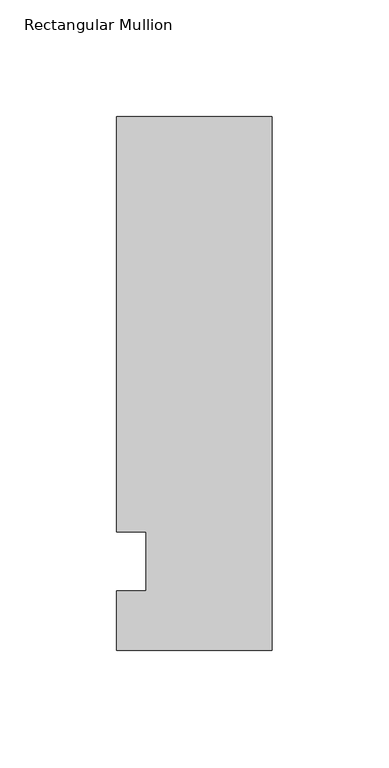
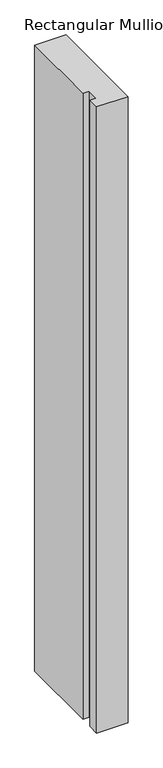
"""IFC4 building model written with IfcOpenShell, lengths in millimetres: member geometry, Rectangular Mullion."""

from ifc_helpers import new_model, si_unit, frame, origin, place, context, project, spatial, polyline, outline, extrude, source, transform, mapped, element, save


def rectangular_mullion_840729b7(model_context):
    return source(origin(), model_context, "Body", "SweptSolid", [
        extrude(outline(polyline([(-66.675, 190.5), (0.0, 190.5), (0.0, -38.1), (-66.675, -38.1), (-66.675, -12.7), (-53.9732296, -12.7), (-53.9732296, 12.7), (-66.675, 12.7), (-66.675, 190.5)])), frame((0.0, 0.0, -1407.482264), z_axis=(0.0, 0.0, 1.0), x_axis=(1.0, 0.0, 0.0)), (0.0, 0.0, 1.0), 1407.482264),
    ])


if __name__ == "__main__":
    model = new_model("IFC4")
    model_context = context("Model", 3, world=origin())
    ifc_project = project(units=[si_unit("LENGTHUNIT", "METRE", prefix="MILLI")], contexts=[model_context])
    site = spatial("IfcSite", under=ifc_project)
    building = spatial("IfcBuilding", under=site)
    placement = place(None, origin())
    rectangular_mullion_shape = rectangular_mullion_840729b7(model_context)
    element("IfcMember", 1, ObjectType="Rectangular Mullion", at=placement, inside=building, context=model_context, shape_type="MappedRepresentation", body=[
        mapped(rectangular_mullion_shape, transform((0.0, 0.0, 0.0), x_axis=(1.0, 0.0, 0.0), y_axis=(0.0, 1.0, 0.0), z_axis=(0.0, 0.0, 1.0))),
    ])
    save(model, "model.ifc")
